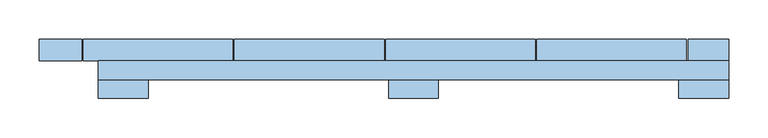
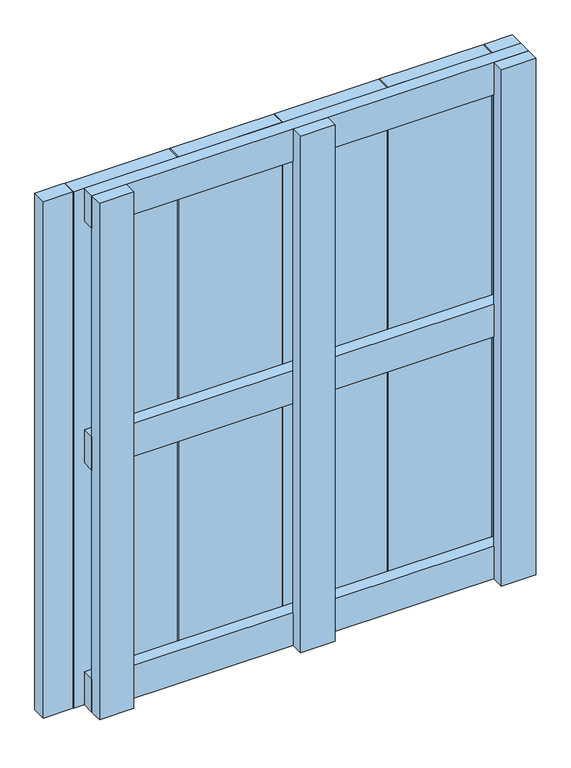
"""IFC4 building model written with IfcOpenShell, lengths in millimetres: window geometry."""

from ifc_helpers import new_model, si_unit, frame, origin, place, context, project, spatial, polyline, outline, extrude, source, transform, mapped, element, save


def window_b133739f(model_context):
    return source(origin(), model_context, "Body", "SweptSolid", [
        extrude(outline(polyline([(400.0, 53.1), (400.0, 29.1), (-400.0, 29.1), (-400.0, 53.1), (400.0, 53.1)])), frame((0.0, 0.0, 568.5), z_axis=(0.0, 0.0, 1.0), x_axis=(1.0, 0.0, 0.0)), (0.0, 0.0, 1.0), 63.0),
        extrude(outline(polyline([(400.0, 53.0), (400.0, 29.0), (-400.0, 29.0), (-400.0, 53.0), (400.0, 53.0)])), frame((0.0, 0.0, 1037.0), z_axis=(0.0, 0.0, 1.0), x_axis=(1.0, 0.0, 0.0)), (0.0, 0.0, 1.0), 63.0),
        extrude(outline(polyline([(400.0, 53.0), (400.0, 29.0), (-400.0, 29.0), (-400.0, 53.0), (400.0, 53.0)])), frame((0.0, 0.0, 100.0), z_axis=(0.0, 0.0, 1.0), x_axis=(1.0, 0.0, 0.0)), (0.0, 0.0, 1.0), 63.0),
        extrude(outline(polyline([(-419.5, 80.0), (-229.5, 80.0), (-229.5, 53.0), (-419.5, 53.0), (-419.5, 80.0)])), frame((0.0, 0.0, 100.0), z_axis=(0.0, 0.0, 1.0), x_axis=(1.0, 0.0, 0.0)), (0.0, 0.0, 1.0), 1000.0),
        extrude(outline(polyline([(-227.5, 80.0), (-37.5, 80.0), (-37.5, 53.0), (-227.5, 53.0), (-227.5, 80.0)])), frame((0.0, 0.0, 100.0), z_axis=(0.0, 0.0, 1.0), x_axis=(1.0, 0.0, 0.0)), (0.0, 0.0, 1.0), 1000.0),
        extrude(outline(polyline([(-35.5, 80.0), (154.5, 80.0), (154.5, 53.0), (-35.5, 53.0), (-35.5, 80.0)])), frame((0.0, 0.0, 100.0), z_axis=(0.0, 0.0, 1.0), x_axis=(1.0, 0.0, 0.0)), (0.0, 0.0, 1.0), 1000.0),
        extrude(outline(polyline([(156.5, 80.0), (346.5, 80.0), (346.5, 53.0), (156.5, 53.0), (156.5, 80.0)])), frame((0.0, 0.0, 100.0), z_axis=(0.0, 0.0, 1.0), x_axis=(1.0, 0.0, 0.0)), (0.0, 0.0, 1.0), 1000.0),
        extrude(outline(polyline([(-475.0, 80.0), (-421.5, 80.0), (-421.5, 53.0), (-475.0, 53.0), (-475.0, 80.0)])), frame((0.0, 0.0, 100.0), z_axis=(0.0, 0.0, 1.0), x_axis=(1.0, 0.0, 0.0)), (0.0, 0.0, 1.0), 1000.0),
        extrude(outline(polyline([(348.5, 80.0), (400.0, 80.0), (400.0, 53.0), (348.5, 53.0), (348.5, 80.0)])), frame((0.0, 0.0, 100.0), z_axis=(0.0, 0.0, 1.0), x_axis=(1.0, 0.0, 0.0)), (0.0, 0.0, 1.0), 1000.0),
        extrude(outline(polyline([(-31.5, 29.1), (31.5, 29.1), (31.5, 5.1), (-31.5, 5.1), (-31.5, 29.1)])), frame((0.0, 0.0, 100.0), z_axis=(0.0, 0.0, 1.0), x_axis=(1.0, 0.0, 0.0)), (0.0, 0.0, 1.0), 1000.0),
        extrude(outline(polyline([(-400.0, 29.0), (-337.0, 29.0), (-337.0, 5.0), (-400.0, 5.0), (-400.0, 29.0)])), frame((0.0, 0.0, 100.0), z_axis=(0.0, 0.0, 1.0), x_axis=(1.0, 0.0, 0.0)), (0.0, 0.0, 1.0), 1000.0),
        extrude(outline(polyline([(337.0, 29.0), (400.0, 29.0), (400.0, 5.0), (337.0, 5.0), (337.0, 29.0)])), frame((0.0, 0.0, 100.0), z_axis=(0.0, 0.0, 1.0), x_axis=(1.0, 0.0, 0.0)), (0.0, 0.0, 1.0), 1000.0),
    ])


if __name__ == "__main__":
    model = new_model("IFC4")
    model_context = context("Model", 3, world=origin())
    ifc_project = project(units=[si_unit("LENGTHUNIT", "METRE", prefix="MILLI")], contexts=[model_context])
    site = spatial("IfcSite", under=ifc_project)
    building = spatial("IfcBuilding", under=site)
    placement = place(None, origin())
    window_shape = window_b133739f(model_context)
    element("IfcWindow", 1, at=placement, inside=building, context=model_context, shape_type="MappedRepresentation", body=[
        mapped(window_shape, transform((0.0, 0.0, 0.0), x_axis=(1.0, 0.0, 0.0), y_axis=(0.0, 1.0, 0.0), z_axis=(0.0, 0.0, 1.0))),
    ])
    save(model, "model.ifc")
